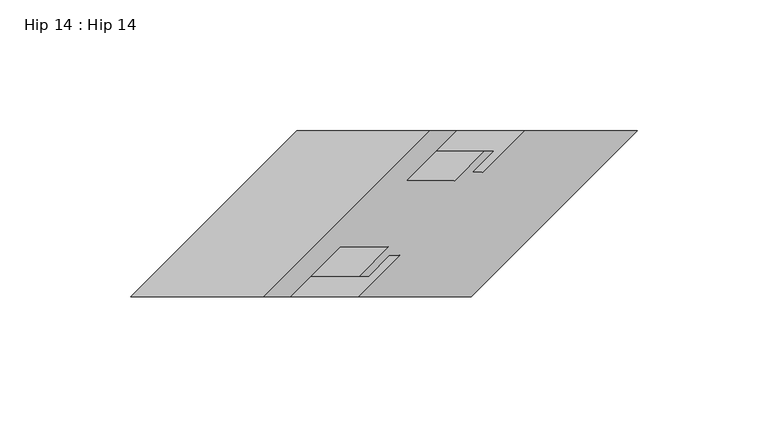
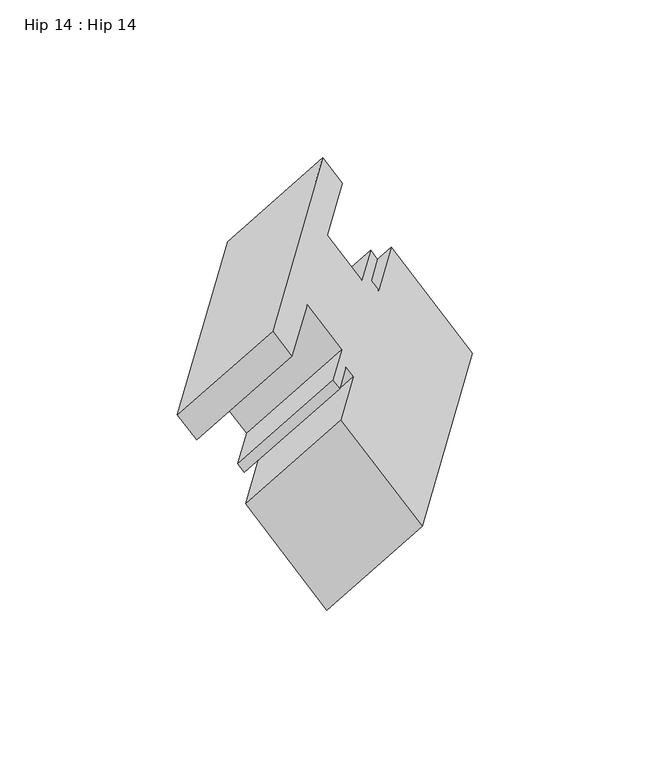
"""IFC4 building model written with IfcOpenShell, lengths in millimetres: proxy geometry, Hip 14 : Hip 14."""

from ifc_helpers import new_model, si_unit, origin, place, context, project, spatial, faceted_brep, source, transform, mapped, element, save


def hip_14_hip_14_94432740(model_context):
    return source(origin(), model_context, "Body", "Brep", [
        faceted_brep([(-10814.6979707, 6107.0039257, 683.5749555), (-10865.3654512, 6107.0039257, 654.3220721), (-10928.8654512, 6043.5039257, 617.66033), (-10878.1979707, 6043.5039257, 646.9132135), (-10804.3792207, 6107.0039257, 665.7023563), (-10855.0467012, 6107.0039257, 636.4494728), (-10823.4101707, 6087.9539257, 654.6708381), (-10874.0776512, 6087.9539257, 625.4179546), (-10805.0320801, 6087.9539257, 622.8390514), (-10855.6995606, 6087.9539257, 593.5861679), (-10793.9068801, 6099.0791257, 629.2621886), (-10844.5743606, 6099.0791257, 600.0093051), (-10790.2758707, 6099.0791257, 622.9730959), (-10840.9433512, 6099.0791257, 593.7202124), (-10798.2260707, 6091.1289257, 618.3830458), (-10848.8935512, 6091.1289257, 589.1301623), (-10794.2763707, 6091.1289257, 611.5419647), (-10844.9438512, 6091.1289257, 582.2890812), (-10778.4013707, 6107.0039257, 620.7074002), (-10829.0688512, 6107.0039257, 591.4545167), (-10735.1324707, 6107.0039257, 545.763467), (-10785.7999512, 6107.0039257, 516.5105835), (-10798.6324707, 6043.5039257, 509.1017249), (-10849.2999512, 6043.5039257, 479.8488415), (-10841.9013707, 6043.5039257, 584.0456581), (-10892.5688512, 6043.5039257, 554.7927746), (-10826.0263707, 6059.3789257, 593.2110936), (-10876.6938512, 6059.3789257, 563.9582102), (-10829.9760707, 6059.3789257, 600.0521747), (-10880.6435512, 6059.3789257, 570.7992912), (-10837.9262707, 6051.4287257, 595.4621246), (-10888.5937512, 6051.4287257, 566.2092411), (-10841.5076707, 6051.4287257, 601.6652914), (-10892.1751512, 6051.4287257, 572.4124079), (-10830.3824707, 6062.5539257, 608.0884286), (-10881.0499512, 6062.5539257, 578.8355451), (-10848.8101707, 6062.5539257, 640.0061412), (-10899.4776512, 6062.5539257, 610.7532578), (-10867.8601707, 6043.5039257, 629.0076186), (-10918.5276512, 6043.5039257, 599.7547351)], [[[0, 1, 2, 3]], [[1, 0, 4, 5]], [[5, 4, 6, 7]], [[7, 6, 8, 9]], [[9, 8, 10, 11]], [[11, 10, 12, 13]], [[13, 12, 14, 15]], [[15, 14, 16, 17]], [[17, 16, 18, 19]], [[19, 18, 20, 21]], [[21, 20, 22, 23]], [[23, 22, 24, 25]], [[25, 24, 26, 27]], [[27, 26, 28, 29]], [[29, 28, 30, 31]], [[31, 30, 32, 33]], [[33, 32, 34, 35]], [[35, 34, 36, 37]], [[37, 36, 38, 39]], [[39, 38, 3, 2]], [[2, 1, 5, 7, 9, 11, 13, 15, 17, 19, 21, 23, 25, 27, 29, 31, 33, 35, 37, 39]], [[0, 3, 38, 36, 34, 32, 30, 28, 26, 24, 22, 20, 18, 16, 14, 12, 10, 8, 6, 4]]]),
    ])


if __name__ == "__main__":
    model = new_model("IFC4")
    model_context = context("Model", 3, world=origin())
    ifc_project = project(units=[si_unit("LENGTHUNIT", "METRE", prefix="MILLI")], contexts=[model_context])
    site = spatial("IfcSite", under=ifc_project)
    building = spatial("IfcBuilding", under=site)
    placement = place(None, origin())
    hip_14_hip_14_shape = hip_14_hip_14_94432740(model_context)
    element("IfcBuildingElementProxy", 1, Name="Hip 14 : Hip 14", ObjectType="Hip 14 : Hip 14", at=placement, inside=building, context=model_context, shape_type="MappedRepresentation", body=[
        mapped(hip_14_hip_14_shape, transform((0.0, 0.0, 0.0), x_axis=(1.0, 0.0, 0.0), y_axis=(0.0, 1.0, 0.0), z_axis=(0.0, 0.0, 1.0))),
    ])
    save(model, "model.ifc")
